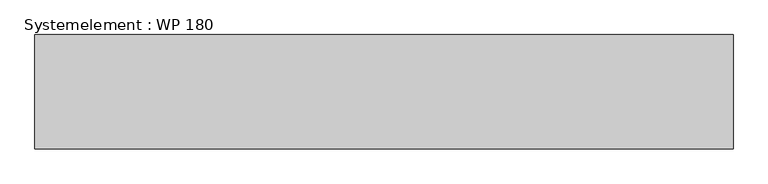
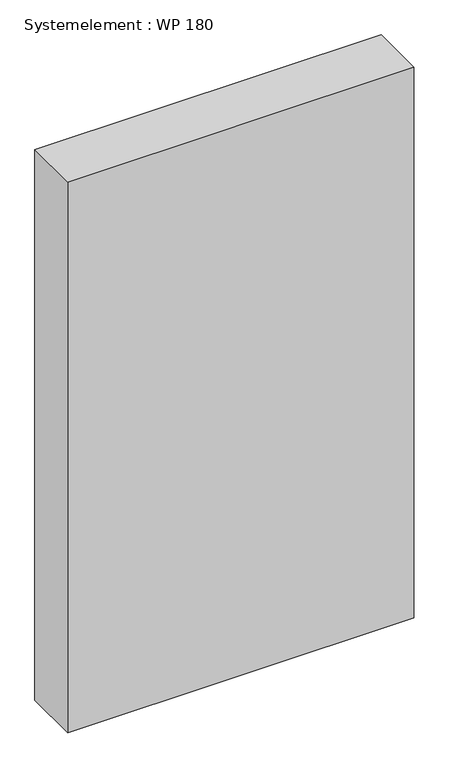
"""IFC4 building model written with IfcOpenShell, lengths in millimetres: plate geometry, Systemelement : WP 180."""

from ifc_helpers import new_model, si_unit, origin, origin_with_axes, place, context, project, spatial, polyline, outline, extrude, source, transform, mapped, element, save


def systemelement_wp_180_f7565497(model_context):
    return source(origin(), model_context, "Body", "SweptSolid", [
        extrude(outline(polyline([(550.0, -180.0), (-550.0, -180.0), (-550.0, 0.0), (550.0, 0.0), (550.0, -180.0)])), origin_with_axes(), (0.0, 0.0, 1.0), 1851.6147161),
    ])


if __name__ == "__main__":
    model = new_model("IFC4")
    model_context = context("Model", 3, world=origin())
    ifc_project = project(units=[si_unit("LENGTHUNIT", "METRE", prefix="MILLI")], contexts=[model_context])
    site = spatial("IfcSite", under=ifc_project)
    building = spatial("IfcBuilding", under=site)
    placement = place(None, origin())
    systemelement_wp_180_shape = systemelement_wp_180_f7565497(model_context)
    element("IfcPlate", 1, ObjectType="Systemelement : WP 180", at=placement, inside=building, context=model_context, shape_type="MappedRepresentation", body=[
        mapped(systemelement_wp_180_shape, transform((0.0, 0.0, 0.0), x_axis=(1.0, 0.0, 0.0), y_axis=(0.0, 1.0, 0.0), z_axis=(0.0, 0.0, 1.0))),
    ])
    save(model, "model.ifc")
